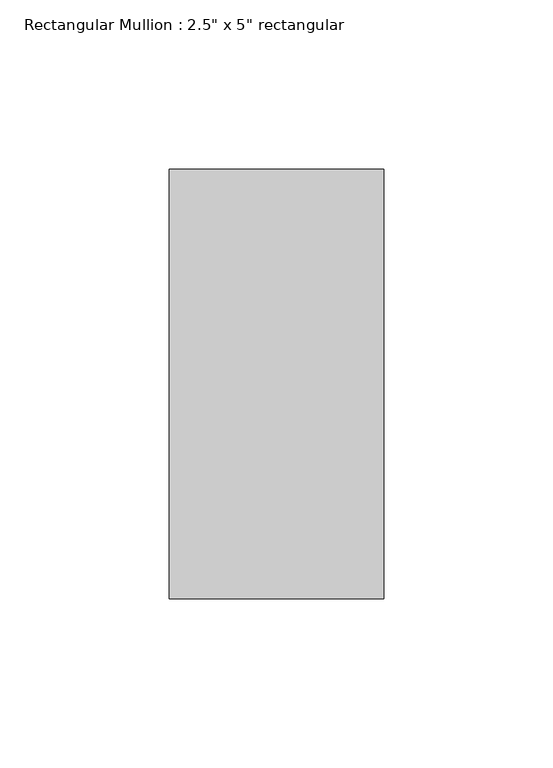
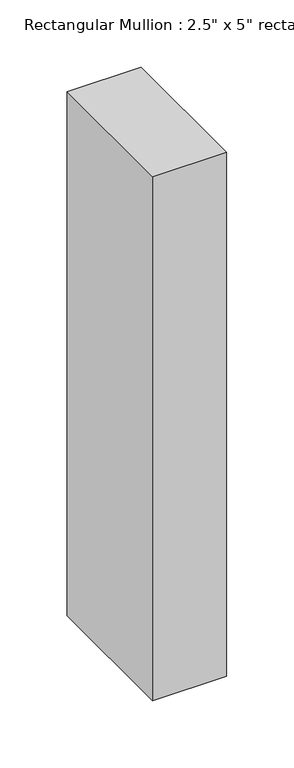
"""IFC4 building model written with IfcOpenShell, lengths in millimetres: member geometry."""

from ifc_helpers import new_model, si_unit, frame, origin, place, context, project, spatial, polyline, outline, extrude, source, transform, mapped, element, save


def member_4914b021(model_context):
    return source(origin(), model_context, "Body", "SweptSolid", [
        extrude(outline(polyline([(31.75, 63.5), (31.75, -63.5), (-31.75, -63.5), (-31.75, 63.5), (31.75, 63.5)])), frame((0.0, 0.0, -475.4174671), z_axis=(0.0, 0.0, 1.0), x_axis=(1.0, 0.0, 0.0)), (0.0, 0.0, 1.0), 475.4174671),
    ])


if __name__ == "__main__":
    model = new_model("IFC4")
    model_context = context("Model", 3, world=origin())
    ifc_project = project(units=[si_unit("LENGTHUNIT", "METRE", prefix="MILLI")], contexts=[model_context])
    site = spatial("IfcSite", under=ifc_project)
    building = spatial("IfcBuilding", under=site)
    placement = place(None, origin())
    member_shape = member_4914b021(model_context)
    element("IfcMember", 1, ObjectType="Rectangular Mullion : 2.5\" x 5\" rectangular", at=placement, inside=building, context=model_context, shape_type="MappedRepresentation", body=[
        mapped(member_shape, transform((0.0, 0.0, 0.0), x_axis=(1.0, 0.0, 0.0), y_axis=(0.0, 1.0, 0.0), z_axis=(0.0, 0.0, 1.0))),
    ])
    save(model, "model.ifc")
